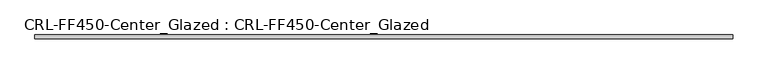
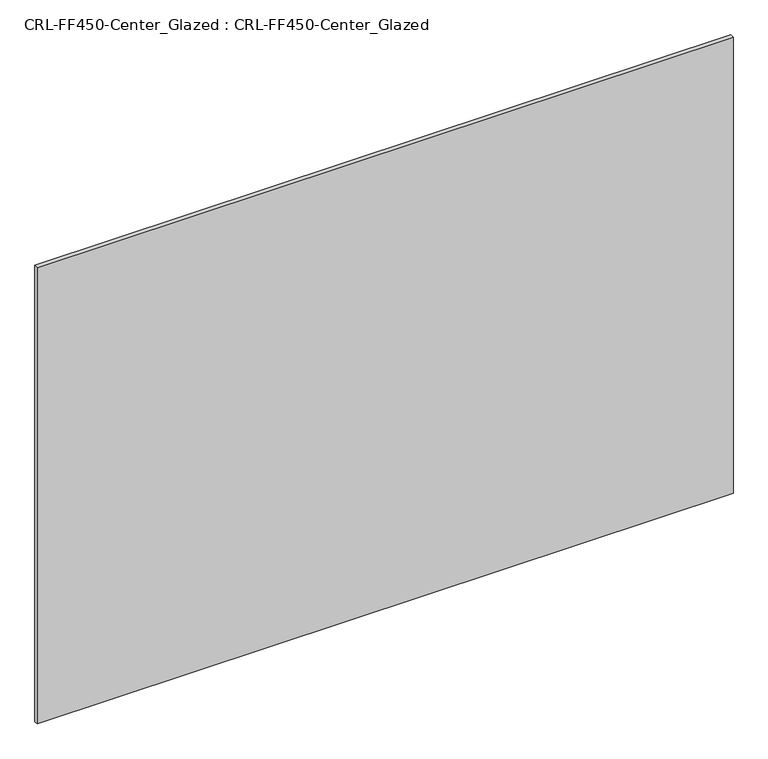
"""IFC4 building model written with IfcOpenShell, lengths in millimetres: plate geometry, CRL-FF450-Center_Glazed : CRL-FF450-Center_Glazed."""

from ifc_helpers import new_model, si_unit, origin, origin_with_axes, place, context, project, spatial, polyline, outline, extrude, source, transform, mapped, element, save


def crl_ff450_center_glazed_crl_ff450_center_glazed_095b63e8(model_context):
    return source(origin(), model_context, "Body", "SweptSolid", [
        extrude(outline(polyline([(592.6712176, 3.1749999), (592.6712176, -3.1749999), (-592.6712176, -3.1749999), (-592.6712176, 3.1749999), (592.6712176, 3.1749999)])), origin_with_axes(), (0.0, 0.0, 1.0), 821.3089215),
    ])


if __name__ == "__main__":
    model = new_model("IFC4")
    model_context = context("Model", 3, world=origin())
    ifc_project = project(units=[si_unit("LENGTHUNIT", "METRE", prefix="MILLI")], contexts=[model_context])
    site = spatial("IfcSite", under=ifc_project)
    building = spatial("IfcBuilding", under=site)
    placement = place(None, origin())
    crl_ff450_center_glazed_crl_ff450_center_glazed_shape = crl_ff450_center_glazed_crl_ff450_center_glazed_095b63e8(model_context)
    element("IfcPlate", 1, ObjectType="CRL-FF450-Center_Glazed : CRL-FF450-Center_Glazed", at=placement, inside=building, context=model_context, shape_type="MappedRepresentation", body=[
        mapped(crl_ff450_center_glazed_crl_ff450_center_glazed_shape, transform((0.0, 0.0, 0.0), x_axis=(1.0, 0.0, 0.0), y_axis=(0.0, 1.0, 0.0), z_axis=(0.0, 0.0, 1.0))),
    ])
    save(model, "model.ifc")
